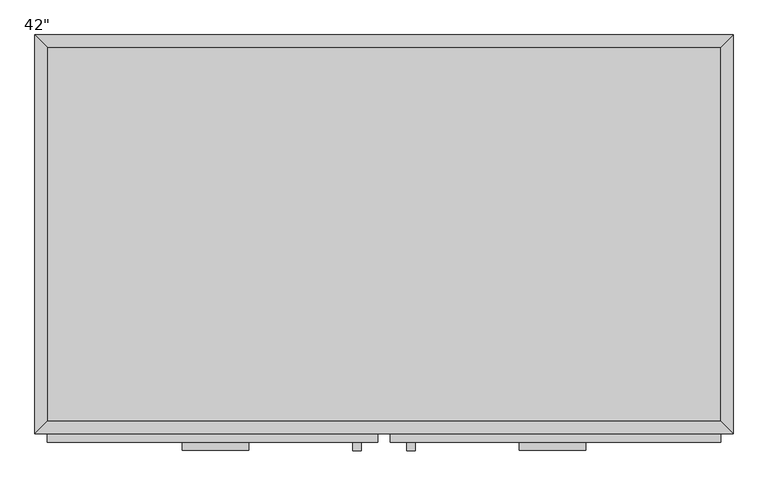
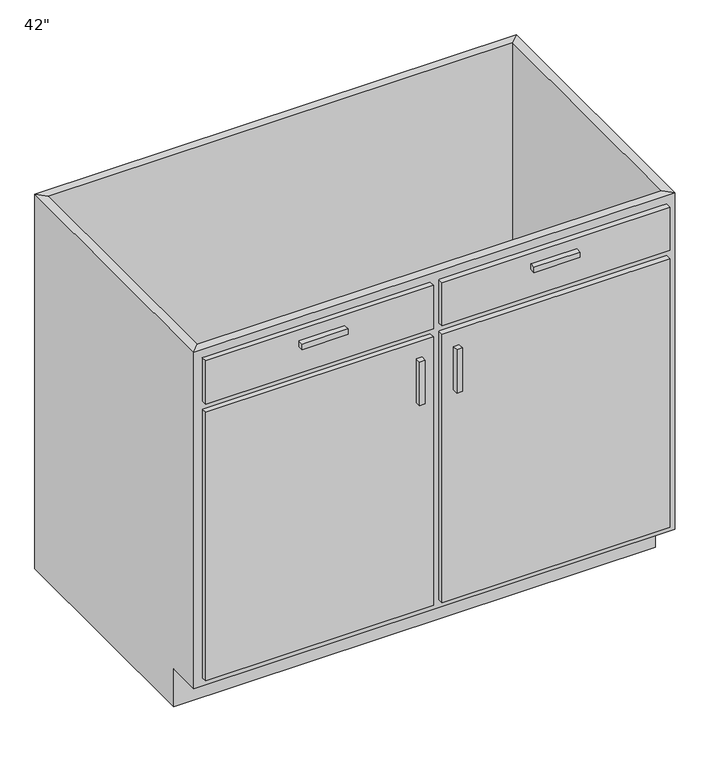
"""IFC4 building model written with IfcOpenShell, lengths in millimetres: furniture geometry."""

from ifc_helpers import new_model, si_unit, frame, origin, place, context, project, spatial, polyline, outline, extrude, faceted_brep, source, transform, mapped, element, save


def furniture_d50cfae7(model_context):
    return source(origin(), model_context, "Body", "SolidModel", [
        faceted_brep([(533.0877049, -590.55, 876.3), (533.0877049, -590.55, 88.9), (-495.6122951, -590.55, 88.9), (-495.6122951, -590.55, 876.3), (-514.6622951, -609.6, 876.3), (552.1377049, -609.6, 876.3), (-514.6622951, -609.6, 88.9), (552.1377049, -609.6, 88.9), (-495.6122951, -533.4, 88.9), (-495.6122951, -19.05, 88.9), (-495.6122951, -19.05, 876.3), (-514.6622951, 0.0, 876.3), (-514.6622951, 0.0, 0.0), (-514.6622951, -533.4, 0.0), (-514.6622951, -533.4, 88.9), (533.0877049, -19.05, 88.9), (533.0877049, -19.05, 876.3), (552.1377049, 0.0, 876.3), (552.1377049, 0.0, 0.0), (533.0877049, -533.4, 88.9), (552.1377049, -533.4, 88.9), (552.1377049, -533.4, 0.0)], [[[0, 1, 2, 3]], [[0, 3, 4, 5]], [[5, 4, 6, 7]], [[2, 1, 7, 6]], [[3, 2, 8, 9, 10]], [[4, 3, 10, 11]], [[6, 4, 11, 12, 13, 14]], [[2, 6, 14, 8]], [[10, 9, 15, 16]], [[11, 10, 16, 17]], [[12, 11, 17, 18]], [[1, 0, 16, 15, 19]], [[0, 5, 17, 16]], [[5, 7, 20, 21, 18, 17]], [[7, 1, 19, 20]], [[8, 19, 15, 9]], [[18, 21, 13, 12]], [[13, 21, 20, 19, 8, 14]]]),
        extrude(outline(polyline([(-187.6372951, -635.0), (-289.2372951, -635.0), (-289.2372951, -622.3), (-187.6372951, -622.3), (-187.6372951, -635.0)])), frame((0.0, 0.0, 819.15), z_axis=(0.0, 0.0, 1.0), x_axis=(1.0, 0.0, 0.0)), (0.0, 0.0, 1.0), 12.7),
        extrude(outline(polyline([(326.7127049, -635.0), (225.1127049, -635.0), (225.1127049, -622.3), (326.7127049, -622.3), (326.7127049, -635.0)])), frame((0.0, 0.0, 819.15), z_axis=(0.0, 0.0, 1.0), x_axis=(1.0, 0.0, 0.0)), (0.0, 0.0, 1.0), 12.7),
        extrude(outline(polyline([(-16.1872951, -635.0), (-28.8872951, -635.0), (-28.8872951, -622.3), (-16.1872951, -622.3), (-16.1872951, -635.0)])), frame((0.0, 0.0, 596.9), z_axis=(0.0, 0.0, 1.0), x_axis=(1.0, 0.0, 0.0)), (0.0, 0.0, 1.0), 101.6),
        extrude(outline(polyline([(66.3627049, -635.0), (53.6627049, -635.0), (53.6627049, -622.3), (66.3627049, -622.3), (66.3627049, -635.0)])), frame((0.0, 0.0, 596.9), z_axis=(0.0, 0.0, 1.0), x_axis=(1.0, 0.0, 0.0)), (0.0, 0.0, 1.0), 101.6),
        extrude(outline(polyline([(533.0877049, -19.05), (533.0877049, -590.55), (-495.6122951, -590.55), (-495.6122951, -19.05), (533.0877049, -19.05)])), frame((0.0, 0.0, 88.9), z_axis=(0.0, 0.0, 1.0), x_axis=(1.0, 0.0, 0.0)), (0.0, 0.0, 1.0), 19.05),
        extrude(outline(polyline([(9.2127049, -622.3), (-495.6122951, -622.3), (-495.6122951, -609.6), (9.2127049, -609.6), (9.2127049, -622.3)])), frame((0.0, 0.0, 755.65), z_axis=(0.0, 0.0, 1.0), x_axis=(1.0, 0.0, 0.0)), (0.0, 0.0, 1.0), 101.6),
        extrude(outline(polyline([(533.0877049, -622.3), (28.2627049, -622.3), (28.2627049, -609.6), (533.0877049, -609.6), (533.0877049, -622.3)])), frame((0.0, 0.0, 755.65), z_axis=(0.0, 0.0, 1.0), x_axis=(1.0, 0.0, 0.0)), (0.0, 0.0, 1.0), 101.6),
        extrude(outline(polyline([(9.2127049, -622.3), (-495.6122951, -622.3), (-495.6122951, -609.6), (9.2127049, -609.6), (9.2127049, -622.3)])), frame((0.0, 0.0, 107.95), z_axis=(0.0, 0.0, 1.0), x_axis=(1.0, 0.0, 0.0)), (0.0, 0.0, 1.0), 628.65),
        extrude(outline(polyline([(533.0877049, -622.3), (28.2627049, -622.3), (28.2627049, -609.6), (533.0877049, -609.6), (533.0877049, -622.3)])), frame((0.0, 0.0, 107.95), z_axis=(0.0, 0.0, 1.0), x_axis=(1.0, 0.0, 0.0)), (0.0, 0.0, 1.0), 628.65),
    ])


if __name__ == "__main__":
    model = new_model("IFC4")
    model_context = context("Model", 3, world=origin())
    ifc_project = project(units=[si_unit("LENGTHUNIT", "METRE", prefix="MILLI")], contexts=[model_context])
    site = spatial("IfcSite", under=ifc_project)
    building = spatial("IfcBuilding", under=site)
    placement = place(None, origin())
    furniture_shape = furniture_d50cfae7(model_context)
    element("IfcFurniture", 1, ObjectType="42\"", at=placement, inside=building, context=model_context, shape_type="MappedRepresentation", body=[
        mapped(furniture_shape, transform((0.0, 0.0, 0.0), x_axis=(1.0, 0.0, 0.0), y_axis=(0.0, 1.0, 0.0), z_axis=(0.0, 0.0, 1.0))),
    ])
    save(model, "model.ifc")
